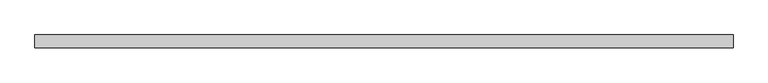
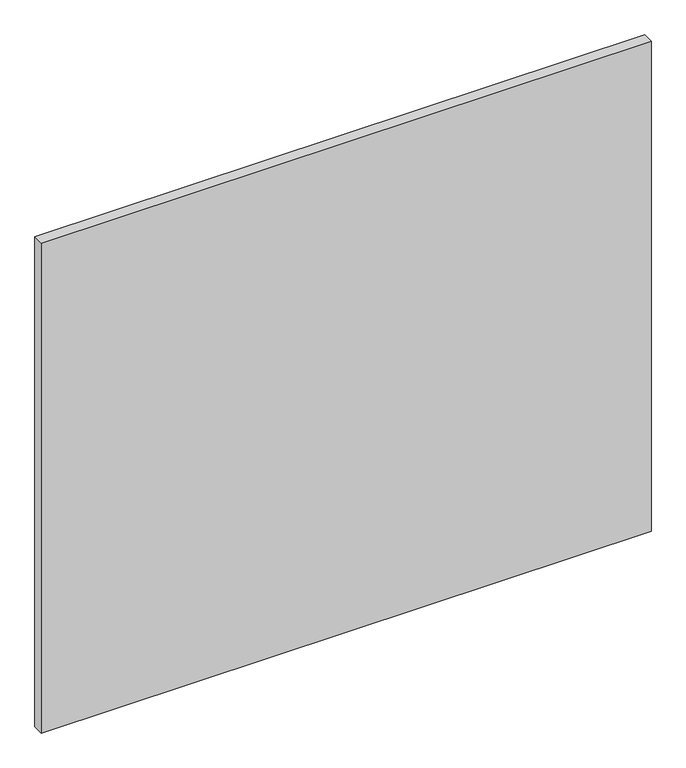
"""IFC4 building model written with IfcOpenShell, lengths in millimetres: proxy geometry."""

from ifc_helpers import new_model, si_unit, frame, origin, place, context, project, spatial, polyline, outline, extrude, source, transform, mapped, element, save


def specialty_equipment_bc1c132c(model_context):
    return source(origin(), model_context, "Body", "SweptSolid", [
        extrude(outline(polyline([(525.1749999, 0.0), (525.1749999, -19.05), (-525.1749999, -19.05), (-525.1749999, 0.0), (525.1749999, 0.0)])), frame((0.0, 0.0, 3.175), z_axis=(0.0, 0.0, 1.0), x_axis=(1.0, 0.0, 0.0)), (0.0, 0.0, 1.0), 892.175),
    ])


if __name__ == "__main__":
    model = new_model("IFC4")
    model_context = context("Model", 3, world=origin())
    ifc_project = project(units=[si_unit("LENGTHUNIT", "METRE", prefix="MILLI")], contexts=[model_context])
    site = spatial("IfcSite", under=ifc_project)
    building = spatial("IfcBuilding", under=site)
    placement = place(None, origin())
    specialty_equipment_shape = specialty_equipment_bc1c132c(model_context)
    element("IfcBuildingElementProxy", 1, Name="Specialty Equipment", at=placement, inside=building, context=model_context, shape_type="MappedRepresentation", body=[
        mapped(specialty_equipment_shape, transform((0.0, 0.0, 0.0), x_axis=(1.0, 0.0, 0.0), y_axis=(0.0, 1.0, 0.0), z_axis=(0.0, 0.0, 1.0))),
    ])
    save(model, "model.ifc")
